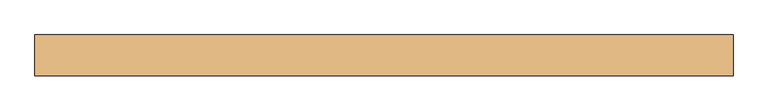
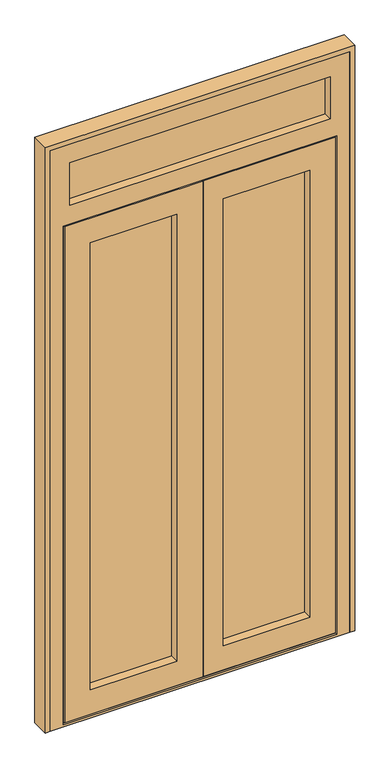
"""IFC4 building model written with IfcOpenShell, lengths in millimetres: door geometry."""

from ifc_helpers import new_model, si_unit, frame, origin, place, context, project, spatial, polyline, outline, extrude, faceted_brep, source, transform, mapped, element, save


def door_16a4d8da(model_context):
    return source(origin(), model_context, "Body", "SolidModel", [
        extrude(outline(polyline([(53.0, 91.0), (53.0, 65.0), (-318.0, 65.0), (-318.0, 91.0), (53.0, 91.0)])), frame((0.0, 0.0, 99.0), z_axis=(0.0, 0.0, 1.0), x_axis=(1.0, 0.0, 0.0)), (0.0, 0.0, 1.0), 1868.0),
        extrude(outline(polyline([(568.0, 91.0), (568.0, 65.0), (197.0, 65.0), (197.0, 91.0), (568.0, 91.0)])), frame((0.0, 0.0, 99.0), z_axis=(0.0, 0.0, 1.0), x_axis=(1.0, 0.0, 0.0)), (0.0, 0.0, 1.0), 1868.0),
        extrude(outline(polyline([(648.0, 91.0), (648.0, 65.0), (-398.0, 65.0), (-398.0, 91.0), (648.0, 91.0)])), frame((0.0, 0.0, 2113.0), z_axis=(0.0, 0.0, 1.0), x_axis=(1.0, 0.0, 0.0)), (0.0, 0.0, 1.0), 210.0),
        faceted_brep([(-400.0, 39.0, 17.0), (-390.0, 39.0, 17.0), (-390.0, 91.0, 17.0), (-380.0, 91.0, 17.0), (-380.0, 39.0, 17.0), (135.0, 39.0, 17.0), (135.0, 30.0, 17.0), (-400.0, 30.0, 17.0), (650.0, 39.0, 17.0), (650.0, 30.0, 17.0), (140.0, 30.0, 17.0), (140.0, 39.0, 17.0), (630.0, 39.0, 17.0), (630.0, 91.0, 17.0), (640.0, 91.0, 17.0), (640.0, 39.0, 17.0), (-400.0, 30.0, 2049.0), (-400.0, 39.0, 2049.0), (135.0, 30.0, 2049.0), (-300.0, 30.0, 1949.0), (35.0, 30.0, 1949.0), (35.0, 30.0, 117.0), (-300.0, 30.0, 117.0), (650.0, 30.0, 2049.0), (140.0, 30.0, 2049.0), (550.0, 30.0, 117.0), (215.0, 30.0, 117.0), (215.0, 30.0, 1949.0), (550.0, 30.0, 1949.0), (-300.0, 65.0, 117.0), (-300.0, 65.0, 1949.0), (568.0, 65.0, 99.0), (197.0, 65.0, 99.0), (197.0, 65.0, 1967.0), (568.0, 65.0, 1967.0), (550.0, 65.0, 1949.0), (215.0, 65.0, 1949.0), (215.0, 65.0, 117.0), (550.0, 65.0, 117.0), (-318.0, 65.0, 1967.0), (53.0, 65.0, 1967.0), (53.0, 65.0, 99.0), (-318.0, 65.0, 99.0), (35.0, 65.0, 117.0), (35.0, 65.0, 1949.0), (-318.0, 91.0, 99.0), (-318.0, 91.0, 1967.0), (568.0, 91.0, 1967.0), (197.0, 91.0, 1967.0), (197.0, 91.0, 99.0), (568.0, 91.0, 99.0), (550.0, 91.0, 117.0), (215.0, 91.0, 117.0), (215.0, 91.0, 1949.0), (550.0, 91.0, 1949.0), (53.0, 91.0, 99.0), (53.0, 91.0, 1967.0), (-300.0, 91.0, 1949.0), (35.0, 91.0, 1949.0), (35.0, 91.0, 117.0), (-300.0, 91.0, 117.0), (-300.0, 100.0, 117.0), (-300.0, 100.0, 1949.0), (625.0, 100.0, 42.0), (115.0, 100.0, 42.0), (115.0, 100.0, 2024.0), (625.0, 100.0, 2024.0), (550.0, 100.0, 1949.0), (215.0, 100.0, 1949.0), (215.0, 100.0, 117.0), (550.0, 100.0, 117.0), (-375.0, 100.0, 2024.0), (110.0, 100.0, 2024.0), (110.0, 100.0, 42.0), (-375.0, 100.0, 42.0), (35.0, 100.0, 117.0), (35.0, 100.0, 1949.0), (-375.0, 91.0, 42.0), (-375.0, 91.0, 2024.0), (630.0, 91.0, 27.0), (-380.0, 91.0, 27.0), (-390.0, 91.0, 2039.0), (640.0, 91.0, 2039.0), (625.0, 91.0, 2024.0), (115.0, 91.0, 2024.0), (115.0, 91.0, 42.0), (625.0, 91.0, 42.0), (110.0, 91.0, 42.0), (110.0, 91.0, 2024.0), (-390.0, 39.0, 2039.0), (135.0, 39.0, 2049.0), (135.0, 39.0, 2039.0), (640.0, 39.0, 2039.0), (140.0, 39.0, 2039.0), (140.0, 39.0, 2049.0), (650.0, 39.0, 2049.0), (630.0, 39.0, 27.0), (-380.0, 39.0, 27.0), (140.0, 39.0, 27.0), (135.0, 39.0, 27.0)], [[[0, 1, 2, 3, 4, 5, 6, 7]], [[8, 9, 10, 11, 12, 13, 14, 15]], [[7, 16, 17, 0]], [[7, 6, 18, 16], [19, 20, 21, 22]], [[23, 24, 10, 9], [25, 26, 27, 28]], [[19, 22, 29, 30]], [[31, 32, 33, 34], [35, 36, 37, 38]], [[39, 40, 41, 42], [29, 43, 44, 30]], [[39, 42, 45, 46]], [[47, 48, 49, 50], [51, 52, 53, 54]], [[45, 55, 56, 46], [57, 58, 59, 60]], [[57, 60, 61, 62]], [[63, 64, 65, 66], [67, 68, 69, 70]], [[71, 72, 73, 74], [61, 75, 76, 62]], [[71, 74, 77, 78]], [[14, 13, 79, 80, 3, 2, 81, 82], [83, 84, 85, 86], [87, 88, 78, 77]], [[1, 89, 81, 2]], [[0, 17, 90, 91, 89, 1]], [[92, 93, 94, 95, 8, 15]], [[16, 18, 90, 17]], [[95, 94, 24, 23]], [[30, 44, 20, 19]], [[28, 27, 36, 35]], [[46, 56, 40, 39]], [[34, 33, 48, 47]], [[62, 76, 58, 57]], [[54, 53, 68, 67]], [[78, 88, 72, 71]], [[66, 65, 84, 83]], [[89, 91, 93, 92, 82, 81]], [[9, 8, 95, 23]], [[35, 38, 25, 28]], [[47, 50, 31, 34]], [[67, 70, 51, 54]], [[83, 86, 63, 66]], [[82, 92, 15, 14]], [[38, 37, 26, 25]], [[22, 21, 43, 29]], [[42, 41, 55, 45]], [[50, 49, 32, 31]], [[70, 69, 52, 51]], [[60, 59, 75, 61]], [[79, 13, 12, 96]], [[97, 4, 3, 80]], [[96, 98, 99, 97, 80, 79]], [[74, 73, 87, 77]], [[86, 85, 64, 63]], [[12, 11, 98, 96]], [[97, 99, 5, 4]], [[65, 64, 85, 84]], [[68, 53, 52, 69]], [[33, 32, 49, 48]], [[36, 27, 26, 37]], [[10, 24, 94, 93, 98, 11]], [[91, 99, 98, 93]], [[5, 99, 91, 90, 18, 6]], [[43, 21, 20, 44]], [[56, 55, 41, 40]], [[75, 59, 58, 76]], [[73, 72, 88, 87]]]),
        faceted_brep([(-455.0, 30.0, 2380.0), (-455.0, 30.0, 0.0), (705.0, 30.0, 0.0), (705.0, 30.0, 2380.0), (630.0, 30.0, 2305.0), (630.0, 30.0, 2131.0), (-380.0, 30.0, 2131.0), (-380.0, 30.0, 2305.0), (-405.0, 30.0, 2054.0), (655.0, 30.0, 2054.0), (655.0, 30.0, 9.0), (-405.0, 30.0, 9.0), (-380.0, 65.0, 2131.0), (-380.0, 65.0, 2305.0), (648.0, 65.0, 2323.0), (648.0, 65.0, 2113.0), (-398.0, 65.0, 2113.0), (-398.0, 65.0, 2323.0), (630.0, 65.0, 2131.0), (630.0, 65.0, 2305.0), (-398.0, 91.0, 2113.0), (-398.0, 91.0, 2323.0), (648.0, 91.0, 2113.0), (648.0, 91.0, 2323.0), (-380.0, 91.0, 2305.0), (630.0, 91.0, 2305.0), (630.0, 91.0, 2131.0), (-380.0, 91.0, 2131.0), (-380.0, 100.0, 2131.0), (-380.0, 100.0, 2305.0), (705.0, 100.0, 2380.0), (705.0, 100.0, 0.0), (-455.0, 100.0, 0.0), (-455.0, 100.0, 2380.0), (630.0, 100.0, 2029.0), (-380.0, 100.0, 2029.0), (-380.0, 100.0, 27.0), (630.0, 100.0, 27.0), (630.0, 100.0, 2131.0), (630.0, 100.0, 2305.0), (655.0, 39.0, 9.0), (-405.0, 39.0, 9.0), (655.0, 39.0, 2054.0), (-405.0, 39.0, 2054.0), (640.0, 39.0, 27.0), (-390.0, 39.0, 27.0), (-390.0, 39.0, 2039.0), (640.0, 39.0, 2039.0), (640.0, 91.0, 27.0), (630.0, 91.0, 27.0), (-380.0, 91.0, 27.0), (-390.0, 91.0, 27.0), (-390.0, 91.0, 2039.0), (640.0, 91.0, 2039.0), (-380.0, 91.0, 2029.0), (630.0, 91.0, 2029.0)], [[[0, 1, 2, 3], [4, 5, 6, 7], [8, 9, 10, 11]], [[7, 6, 12, 13]], [[14, 15, 16, 17], [13, 12, 18, 19]], [[17, 16, 20, 21]], [[21, 20, 22, 23], [24, 25, 26, 27]], [[24, 27, 28, 29]], [[30, 31, 32, 33], [34, 35, 36, 37], [28, 38, 39, 29]], [[32, 1, 0, 33]], [[7, 13, 19, 4]], [[17, 21, 23, 14]], [[29, 39, 25, 24]], [[3, 30, 33, 0]], [[19, 18, 5, 4]], [[23, 22, 15, 14]], [[39, 38, 26, 25]], [[2, 31, 30, 3]], [[10, 40, 41, 11]], [[41, 40, 42, 43], [44, 45, 46, 47]], [[44, 48, 49, 37, 36, 50, 51, 45]], [[1, 32, 31, 2]], [[12, 6, 5, 18]], [[8, 43, 42, 9]], [[46, 52, 53, 47]], [[48, 53, 52, 51, 50, 54, 55, 49]], [[34, 55, 54, 35]], [[28, 27, 26, 38]], [[16, 15, 22, 20]], [[35, 54, 50, 36]], [[45, 51, 52, 46]], [[11, 41, 43, 8]], [[9, 42, 40, 10]], [[47, 53, 48, 44]], [[37, 49, 55, 34]]]),
        extrude(outline(polyline([(2400.0, -475.0), (0.0, -475.0), (0.0, -455.0), (2380.0, -455.0), (2380.0, 705.0), (0.0, 705.0), (0.0, 725.0), (2400.0, 725.0), (2400.0, -475.0)])), frame((0.0, 30.0, 0.0), z_axis=(0.0, 1.0, 0.0), x_axis=(0.0, 0.0, 1.0)), (0.0, 0.0, 1.0), 70.0),
    ])


if __name__ == "__main__":
    model = new_model("IFC4")
    model_context = context("Model", 3, world=origin())
    ifc_project = project(units=[si_unit("LENGTHUNIT", "METRE", prefix="MILLI")], contexts=[model_context])
    site = spatial("IfcSite", under=ifc_project)
    building = spatial("IfcBuilding", under=site)
    placement = place(None, origin())
    door_shape = door_16a4d8da(model_context)
    element("IfcDoor", 1, at=placement, inside=building, context=model_context, shape_type="MappedRepresentation", body=[
        mapped(door_shape, transform((0.0, 0.0, 0.0), x_axis=(1.0, 0.0, 0.0), y_axis=(0.0, 1.0, 0.0), z_axis=(0.0, 0.0, 1.0))),
    ])
    save(model, "model.ifc")
